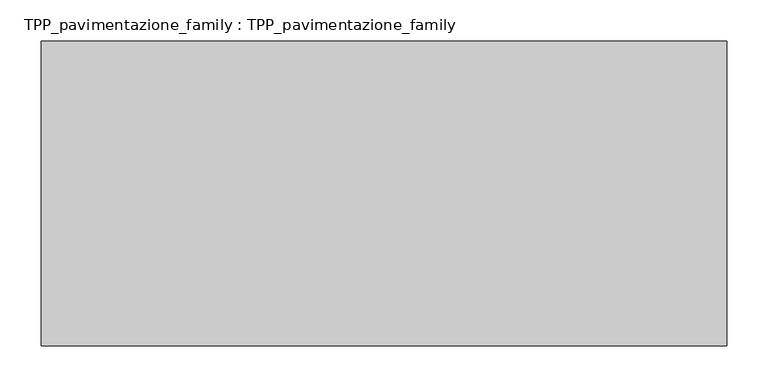
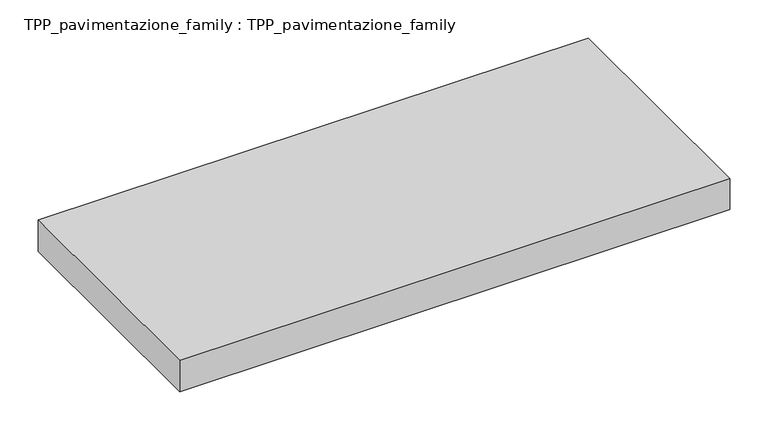
"""IFC4 building model written with IfcOpenShell, lengths in millimetres: proxy geometry, TPP_pavimentazione_family : TPP_pavimentazione_family."""

from ifc_helpers import new_model, si_unit, origin, origin_with_axes, place, context, project, spatial, polyline, outline, extrude, source, transform, mapped, element, save


def tpp_pavimentazione_family_tpp_pavimentazione_family_e36f1b06(model_context):
    return source(origin(), model_context, "Body", "SweptSolid", [
        extrude(outline(polyline([(511.8146187, 354.2201026), (511.8146187, -15.8789228), (-319.9321011, -15.8789228), (-319.9321011, 354.2201026), (511.8146187, 354.2201026)])), origin_with_axes(), (0.0, 0.0, 1.0), 50.0),
    ])


if __name__ == "__main__":
    model = new_model("IFC4")
    model_context = context("Model", 3, world=origin())
    ifc_project = project(units=[si_unit("LENGTHUNIT", "METRE", prefix="MILLI")], contexts=[model_context])
    site = spatial("IfcSite", under=ifc_project)
    building = spatial("IfcBuilding", under=site)
    placement = place(None, origin())
    tpp_pavimentazione_family_tpp_pavimentazione_family_shape = tpp_pavimentazione_family_tpp_pavimentazione_family_e36f1b06(model_context)
    element("IfcBuildingElementProxy", 1, Name="TPP_pavimentazione_family : TPP_pavimentazione_family", ObjectType="TPP_pavimentazione_family : TPP_pavimentazione_family", at=placement, inside=building, context=model_context, shape_type="MappedRepresentation", body=[
        mapped(tpp_pavimentazione_family_tpp_pavimentazione_family_shape, transform((0.0, 0.0, 0.0), x_axis=(1.0, 0.0, 0.0), y_axis=(0.0, 1.0, 0.0), z_axis=(0.0, 0.0, 1.0))),
    ])
    save(model, "model.ifc")
